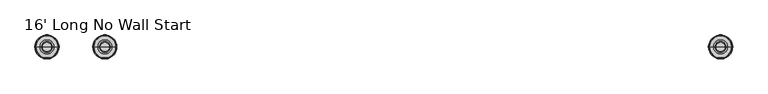
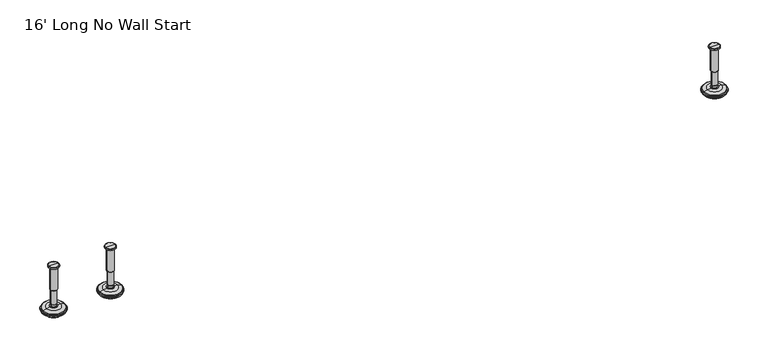
"""IFC4 building model written with IfcOpenShell, lengths in millimetres: furniture geometry, 16' Long No Wall Start."""

from ifc_helpers import new_model, si_unit, frame, origin, place, context, project, spatial, polyline, circle_curve, source, transform, mapped, element, save
from ifc_brep_helpers import plane_surface, cylinder_surface, revolved_surface, advanced_brep


def furniture_16_long_no_wall_start_88624ca3(model_context):
    return source(origin(), model_context, "Body", "AdvancedBrep", [
        advanced_brep(
        [(1161.8635677, 0.0, 101.6), (1170.8414891, 0.0, 101.6), (1152.8856463, 0.0, 101.6), (1147.7593278, 0.0, 0.0206943), (1175.9678076, 0.0, 0.0206943), (1161.8635677, 0.0, 0.0206943), (1142.881296, 0.0, 1.4194474), (1180.8458394, 0.0, 1.4194474), (1139.119381, 0.0, 4.7394056), (1184.6077544, 0.0, 4.7394056), (1138.0019314, 0.0, 7.5051905), (1185.725204, 0.0, 7.5051905), (1138.0019314, 0.0, 8.3065967), (1185.725204, 0.0, 8.3065967), (1138.8443346, 0.0, 9.8469348), (1184.8828008, 0.0, 9.8469348), (1139.9444772, 0.0, 10.8375077), (1183.7826582, 0.0, 10.8375077), (1147.2481724, 0.0, 12.7338946), (1176.478963, 0.0, 12.7338946), (1154.6663238, 0.0, 13.3828987), (1169.0608116, 0.0, 13.3828987), (1154.6663238, 0.0, 14.1772758), (1169.0608116, 0.0, 14.1772758), (1157.0631166, 0.0, 14.1772758), (1166.6640188, 0.0, 14.1772758), (1157.0631166, 0.0, 18.8098403), (1166.6640188, 0.0, 18.8098403), (1156.047264, 0.0, 19.8256929), (1167.6798714, 0.0, 19.8256929), (1156.047264, 0.0, 48.3056352), (1167.6798714, 0.0, 48.3056352), (1154.8237361, 0.0, 49.9293116), (1168.9033993, 0.0, 49.9293116), (1154.8237361, 0.0, 97.327223), (1168.9033993, 0.0, 97.327223), (1153.9426317, 0.0, 97.6479188), (1169.7845037, 0.0, 97.6479188), (1152.8936428, 0.0, 97.6479188), (1170.8334926, 0.0, 97.6479188), (1151.2286129, 0.0, 98.6092242), (1172.4985225, 0.0, 98.6092242), (1151.2286129, 0.0, 100.6043539), (1172.4985225, 0.0, 100.6043539)],
        [
            (0, 1),
            (1, 2, circle_curve(frame((1161.8635677, 0.0, 101.6), z_axis=(0.0, 0.0, 1.0), x_axis=(1.0, 0.0, 0.0)), 8.9779214)),
            (2, 0),
            (2, 1, circle_curve(frame((1161.8635677, 0.0, 101.6), z_axis=(0.0, 0.0, 1.0), x_axis=(1.0, 0.0, 0.0)), 8.9779214)),
            (3, 4, circle_curve(frame((1161.8635677, 0.0, 0.0206943), z_axis=(0.0, 0.0, -1.0), x_axis=(1.0, 0.0, 0.0)), 14.1042399)),
            (4, 5),
            (5, 3),
            (4, 3, circle_curve(frame((1161.8635677, 0.0, 0.0206943), z_axis=(0.0, 0.0, -1.0), x_axis=(1.0, 0.0, 0.0)), 14.1042399)),
            (6, 7, circle_curve(frame((1161.8635677, 0.0, 1.4194474), z_axis=(0.0, 0.0, -1.0), x_axis=(1.0, 0.0, 0.0)), 18.9822717)),
            (7, 4),
            (3, 6),
            (7, 6, circle_curve(frame((1161.8635677, 0.0, 1.4194474), z_axis=(0.0, 0.0, -1.0), x_axis=(1.0, 0.0, 0.0)), 18.9822717)),
            (8, 9, circle_curve(frame((1161.8635677, 0.0, 4.7394056), z_axis=(0.0, 0.0, -1.0), x_axis=(1.0, 0.0, 0.0)), 22.7441867)),
            (9, 7),
            (6, 8),
            (9, 8, circle_curve(frame((1161.8635677, 0.0, 4.7394056), z_axis=(0.0, 0.0, -1.0), x_axis=(1.0, 0.0, 0.0)), 22.7441867)),
            (10, 11, circle_curve(frame((1161.8635677, 0.0, 7.5051905), z_axis=(0.0, 0.0, -1.0), x_axis=(1.0, 0.0, 0.0)), 23.8616363)),
            (11, 9),
            (8, 10),
            (11, 10, circle_curve(frame((1161.8635677, 0.0, 7.5051905), z_axis=(0.0, 0.0, -1.0), x_axis=(1.0, 0.0, 0.0)), 23.8616363)),
            (12, 13, circle_curve(frame((1161.8635677, 0.0, 8.3065967), z_axis=(0.0, 0.0, -1.0), x_axis=(1.0, 0.0, 0.0)), 23.8616363)),
            (13, 11),
            (10, 12),
            (13, 12, circle_curve(frame((1161.8635677, 0.0, 8.3065967), z_axis=(0.0, 0.0, -1.0), x_axis=(1.0, 0.0, 0.0)), 23.8616363)),
            (14, 15, circle_curve(frame((1161.8635677, 0.0, 9.8469348), z_axis=(0.0, 0.0, -1.0), x_axis=(1.0, 0.0, 0.0)), 23.0192331)),
            (15, 13),
            (12, 14),
            (15, 14, circle_curve(frame((1161.8635677, 0.0, 9.8469348), z_axis=(0.0, 0.0, -1.0), x_axis=(1.0, 0.0, 0.0)), 23.0192331)),
            (16, 17, circle_curve(frame((1161.8635677, 0.0, 10.8375077), z_axis=(0.0, 0.0, -1.0), x_axis=(1.0, 0.0, 0.0)), 21.9190905)),
            (17, 15),
            (14, 16),
            (17, 16, circle_curve(frame((1161.8635677, 0.0, 10.8375077), z_axis=(0.0, 0.0, -1.0), x_axis=(1.0, 0.0, 0.0)), 21.9190905)),
            (18, 19, circle_curve(frame((1161.8635677, 0.0, 12.7338946), z_axis=(0.0, 0.0, -1.0), x_axis=(1.0, 0.0, 0.0)), 14.6153953)),
            (19, 17),
            (16, 18),
            (19, 18, circle_curve(frame((1161.8635677, 0.0, 12.7338946), z_axis=(0.0, 0.0, -1.0), x_axis=(1.0, 0.0, 0.0)), 14.6153953)),
            (20, 21, circle_curve(frame((1161.8635677, 0.0, 13.3828987), z_axis=(0.0, 0.0, -1.0), x_axis=(1.0, 0.0, 0.0)), 7.1972439)),
            (21, 19),
            (18, 20),
            (21, 20, circle_curve(frame((1161.8635677, 0.0, 13.3828987), z_axis=(0.0, 0.0, -1.0), x_axis=(1.0, 0.0, 0.0)), 7.1972439)),
            (22, 23, circle_curve(frame((1161.8635677, 0.0, 14.1772758), z_axis=(0.0, 0.0, -1.0), x_axis=(1.0, 0.0, 0.0)), 7.1972439)),
            (23, 21),
            (20, 22),
            (23, 22, circle_curve(frame((1161.8635677, 0.0, 14.1772758), z_axis=(0.0, 0.0, -1.0), x_axis=(1.0, 0.0, 0.0)), 7.1972439)),
            (24, 25, circle_curve(frame((1161.8635677, 0.0, 14.1772758), z_axis=(0.0, 0.0, -1.0), x_axis=(1.0, 0.0, 0.0)), 4.8004511)),
            (25, 23),
            (22, 24),
            (25, 24, circle_curve(frame((1161.8635677, 0.0, 14.1772758), z_axis=(0.0, 0.0, -1.0), x_axis=(1.0, 0.0, 0.0)), 4.8004511)),
            (26, 27, circle_curve(frame((1161.8635677, 0.0, 18.8098403), z_axis=(0.0, 0.0, -1.0), x_axis=(1.0, 0.0, 0.0)), 4.8004511)),
            (27, 25),
            (24, 26),
            (27, 26, circle_curve(frame((1161.8635677, 0.0, 18.8098403), z_axis=(0.0, 0.0, -1.0), x_axis=(1.0, 0.0, 0.0)), 4.8004511)),
            (28, 29, circle_curve(frame((1161.8635677, 0.0, 19.8256929), z_axis=(0.0, 0.0, -1.0), x_axis=(1.0, 0.0, 0.0)), 5.8163037)),
            (29, 27),
            (26, 28),
            (29, 28, circle_curve(frame((1161.8635677, 0.0, 19.8256929), z_axis=(0.0, 0.0, -1.0), x_axis=(1.0, 0.0, 0.0)), 5.8163037)),
            (30, 31, circle_curve(frame((1161.8635677, 0.0, 48.3056352), z_axis=(0.0, 0.0, -1.0), x_axis=(1.0, 0.0, 0.0)), 5.8163037)),
            (31, 29),
            (28, 30),
            (31, 30, circle_curve(frame((1161.8635677, 0.0, 48.3056352), z_axis=(0.0, 0.0, -1.0), x_axis=(1.0, 0.0, 0.0)), 5.8163037)),
            (32, 33, circle_curve(frame((1161.8635677, 0.0, 49.9293116), z_axis=(0.0, 0.0, -1.0), x_axis=(1.0, 0.0, 0.0)), 7.0398316)),
            (33, 31),
            (30, 32),
            (33, 32, circle_curve(frame((1161.8635677, 0.0, 49.9293116), z_axis=(0.0, 0.0, -1.0), x_axis=(1.0, 0.0, 0.0)), 7.0398316)),
            (34, 35, circle_curve(frame((1161.8635677, 0.0, 97.327223), z_axis=(0.0, 0.0, -1.0), x_axis=(1.0, 0.0, 0.0)), 7.0398316)),
            (35, 33),
            (32, 34),
            (35, 34, circle_curve(frame((1161.8635677, 0.0, 97.327223), z_axis=(0.0, 0.0, -1.0), x_axis=(1.0, 0.0, 0.0)), 7.0398316)),
            (36, 37, circle_curve(frame((1161.8635677, 0.0, 97.6479188), z_axis=(0.0, 0.0, -1.0), x_axis=(1.0, 0.0, 0.0)), 7.920936)),
            (37, 35),
            (34, 36),
            (37, 36, circle_curve(frame((1161.8635677, 0.0, 97.6479188), z_axis=(0.0, 0.0, -1.0), x_axis=(1.0, 0.0, 0.0)), 7.920936)),
            (38, 39, circle_curve(frame((1161.8635677, 0.0, 97.6479188), z_axis=(0.0, 0.0, -1.0), x_axis=(1.0, 0.0, 0.0)), 8.9699249)),
            (39, 37),
            (36, 38),
            (39, 38, circle_curve(frame((1161.8635677, 0.0, 97.6479188), z_axis=(0.0, 0.0, -1.0), x_axis=(1.0, 0.0, 0.0)), 8.9699249)),
            (40, 41, circle_curve(frame((1161.8635677, 0.0, 98.6092242), z_axis=(0.0, 0.0, -1.0), x_axis=(1.0, 0.0, 0.0)), 10.6349548)),
            (41, 39),
            (38, 40),
            (41, 40, circle_curve(frame((1161.8635677, 0.0, 98.6092242), z_axis=(0.0, 0.0, -1.0), x_axis=(1.0, 0.0, 0.0)), 10.6349548)),
            (42, 43, circle_curve(frame((1161.8635677, 0.0, 100.6043539), z_axis=(0.0, 0.0, -1.0), x_axis=(1.0, 0.0, 0.0)), 10.6349548)),
            (43, 41),
            (40, 42),
            (43, 42, circle_curve(frame((1161.8635677, 0.0, 100.6043539), z_axis=(0.0, 0.0, -1.0), x_axis=(1.0, 0.0, 0.0)), 10.6349548)),
            (1, 43),
            (42, 2),
        ],
        [
            plane_surface(frame((1161.8635677, 0.0, 101.6), z_axis=(0.0, 0.0, 1.0), x_axis=(1.0, 0.0, 0.0))),
            plane_surface(frame((1161.8635677, 0.0, 0.0206943), z_axis=(0.0, 0.0, -1.0), x_axis=(1.0, 0.0, 0.0))),
            revolved_surface(polyline([(1175.9678076, 0.0, 0.0206943), (1180.8458394, 0.0, 1.4194474)]), (1161.8635677, 0.0, 101.6), (0.0, 0.0, 1.0)),
            revolved_surface(polyline([(1180.8458394, 0.0, 1.4194474), (1184.6077544, 0.0, 4.7394056)]), (1161.8635677, 0.0, 101.6), (0.0, 0.0, 1.0)),
            revolved_surface(polyline([(1184.6077544, 0.0, 4.7394056), (1185.725204, 0.0, 7.5051905)]), (1161.8635677, 0.0, 101.6), (0.0, 0.0, 1.0)),
            cylinder_surface(frame((1161.8635677, 0.0, 101.6), z_axis=(0.0, 0.0, 1.0), x_axis=(1.0, 0.0, 0.0)), 23.8616363),
            revolved_surface(polyline([(1185.725204, 0.0, 8.3065967), (1184.8828008, 0.0, 9.8469348)]), (1161.8635677, 0.0, 101.6), (0.0, 0.0, 1.0)),
            revolved_surface(polyline([(1184.8828008, 0.0, 9.8469348), (1183.7826582, 0.0, 10.8375077)]), (1161.8635677, 0.0, 101.6), (0.0, 0.0, 1.0)),
            revolved_surface(polyline([(1183.7826582, 0.0, 10.8375077), (1176.478963, 0.0, 12.7338946)]), (1161.8635677, 0.0, 101.6), (0.0, 0.0, 1.0)),
            revolved_surface(polyline([(1176.478963, 0.0, 12.7338946), (1169.0608116, 0.0, 13.3828987)]), (1161.8635677, 0.0, 101.6), (0.0, 0.0, 1.0)),
            cylinder_surface(frame((1161.8635677, 0.0, 101.6), z_axis=(0.0, 0.0, 1.0), x_axis=(1.0, 0.0, 0.0)), 7.1972439),
            plane_surface(frame((1161.8635677, 0.0, 14.1772758), z_axis=(0.0, 0.0, 1.0), x_axis=(1.0, 0.0, 0.0))),
            cylinder_surface(frame((1161.8635677, 0.0, 101.6), z_axis=(0.0, 0.0, 1.0), x_axis=(1.0, 0.0, 0.0)), 4.8004511),
            revolved_surface(polyline([(1166.6640188, 0.0, 18.8098403), (1167.6798714, 0.0, 19.8256929)]), (1161.8635677, 0.0, 101.6), (0.0, 0.0, 1.0)),
            cylinder_surface(frame((1161.8635677, 0.0, 101.6), z_axis=(0.0, 0.0, 1.0), x_axis=(1.0, 0.0, 0.0)), 5.8163037),
            revolved_surface(polyline([(1167.6798714, 0.0, 48.3056352), (1168.9033993, 0.0, 49.9293116)]), (1161.8635677, 0.0, 101.6), (0.0, 0.0, 1.0)),
            cylinder_surface(frame((1161.8635677, 0.0, 101.6), z_axis=(0.0, 0.0, 1.0), x_axis=(1.0, 0.0, 0.0)), 7.0398316),
            revolved_surface(polyline([(1168.9033993, 0.0, 97.327223), (1169.7845037, 0.0, 97.6479188)]), (1161.8635677, 0.0, 101.6), (0.0, 0.0, 1.0)),
            plane_surface(frame((1161.8635677, 0.0, 97.6479188), z_axis=(0.0, 0.0, -1.0), x_axis=(1.0, 0.0, 0.0))),
            revolved_surface(polyline([(1170.8334926, 0.0, 97.6479188), (1172.4985225, 0.0, 98.6092242)]), (1161.8635677, 0.0, 101.6), (0.0, 0.0, 1.0)),
            cylinder_surface(frame((1161.8635677, 0.0, 101.6), z_axis=(0.0, 0.0, 1.0), x_axis=(1.0, 0.0, 0.0)), 10.6349548),
            revolved_surface(polyline([(1172.4985225, 0.0, 100.6043539), (1170.8414891, 0.0, 101.6)]), (1161.8635677, 0.0, 101.6), (0.0, 0.0, 1.0)),
        ],
        [
            (0, [[1, 2, 3]]),
            (0, [[-3, 4, -1]]),
            (1, [[5, 6, 7]]),
            (1, [[8, -7, -6]]),
            (2, [[9, 10, -5, 11]]),
            (2, [[12, -11, -8, -10]]),
            (3, [[13, 14, -9, 15]]),
            (3, [[16, -15, -12, -14]]),
            (4, [[17, 18, -13, 19]]),
            (4, [[20, -19, -16, -18]]),
            (5, [[21, 22, -17, 23]]),
            (5, [[24, -23, -20, -22]]),
            (6, [[25, 26, -21, 27]]),
            (6, [[28, -27, -24, -26]]),
            (7, [[29, 30, -25, 31]]),
            (7, [[32, -31, -28, -30]]),
            (8, [[33, 34, -29, 35]]),
            (8, [[36, -35, -32, -34]]),
            (9, [[37, 38, -33, 39]]),
            (9, [[40, -39, -36, -38]]),
            (10, [[41, 42, -37, 43]]),
            (10, [[44, -43, -40, -42]]),
            (11, [[45, 46, -41, 47]]),
            (11, [[48, -47, -44, -46]]),
            (12, [[49, 50, -45, 51]]),
            (12, [[52, -51, -48, -50]]),
            (13, [[53, 54, -49, 55]]),
            (13, [[56, -55, -52, -54]]),
            (14, [[57, 58, -53, 59]]),
            (14, [[60, -59, -56, -58]]),
            (15, [[61, 62, -57, 63]]),
            (15, [[64, -63, -60, -62]]),
            (16, [[65, 66, -61, 67]]),
            (16, [[68, -67, -64, -66]]),
            (17, [[69, 70, -65, 71]]),
            (17, [[72, -71, -68, -70]]),
            (18, [[73, 74, -69, 75]]),
            (18, [[76, -75, -72, -74]]),
            (19, [[77, 78, -73, 79]]),
            (19, [[80, -79, -76, -78]]),
            (20, [[81, 82, -77, 83]]),
            (20, [[84, -83, -80, -82]]),
            (21, [[-2, 85, -81, 86]]),
            (21, [[-4, -86, -84, -85]]),
        ],
    ),
        advanced_brep(
        [(1276.5364323, 0.0, 101.6), (1285.5143537, 0.0, 101.6), (1267.5585109, 0.0, 101.6), (1290.6406722, 0.0, 0.0206943), (1276.5364323, 0.0, 0.0206943), (1262.4321924, 0.0, 0.0206943), (1295.518704, 0.0, 1.4194474), (1257.5541606, 0.0, 1.4194474), (1299.280619, 0.0, 4.7394056), (1253.7922456, 0.0, 4.7394056), (1300.3980686, 0.0, 7.5051905), (1252.674796, 0.0, 7.5051905), (1300.3980686, 0.0, 8.3065967), (1252.674796, 0.0, 8.3065967), (1299.5556654, 0.0, 9.8469348), (1253.5171992, 0.0, 9.8469348), (1298.4555228, 0.0, 10.8375077), (1254.6173418, 0.0, 10.8375077), (1291.1518276, 0.0, 12.7338946), (1261.921037, 0.0, 12.7338946), (1283.7336762, 0.0, 13.3828987), (1269.3391884, 0.0, 13.3828987), (1283.7336762, 0.0, 14.1772758), (1269.3391884, 0.0, 14.1772758), (1281.3368834, 0.0, 14.1772758), (1271.7359812, 0.0, 14.1772758), (1281.3368834, 0.0, 18.8098403), (1271.7359812, 0.0, 18.8098403), (1282.352736, 0.0, 19.8256929), (1270.7201286, 0.0, 19.8256929), (1282.352736, 0.0, 48.3056352), (1270.7201286, 0.0, 48.3056352), (1283.5762639, 0.0, 49.9293116), (1269.4966007, 0.0, 49.9293116), (1283.5762639, 0.0, 97.327223), (1269.4966007, 0.0, 97.327223), (1284.4573683, 0.0, 97.6479188), (1268.6154963, 0.0, 97.6479188), (1285.5063572, 0.0, 97.6479188), (1267.5665074, 0.0, 97.6479188), (1287.1713871, 0.0, 98.6092242), (1265.9014775, 0.0, 98.6092242), (1287.1713871, 0.0, 100.6043539), (1265.9014775, 0.0, 100.6043539)],
        [
            (0, 1),
            (1, 2, circle_curve(frame((1276.5364323, 0.0, 101.6), z_axis=(0.0, 0.0, 1.0), x_axis=(-1.0, 0.0, 0.0)), 8.9779214)),
            (2, 0),
            (2, 1, circle_curve(frame((1276.5364323, 0.0, 101.6), z_axis=(0.0, 0.0, 1.0), x_axis=(-1.0, 0.0, 0.0)), 8.9779214)),
            (3, 4),
            (4, 5),
            (5, 3, circle_curve(frame((1276.5364323, 0.0, 0.0206943), z_axis=(0.0, 0.0, -1.0), x_axis=(-1.0, 0.0, 0.0)), 14.1042399)),
            (3, 5, circle_curve(frame((1276.5364323, 0.0, 0.0206943), z_axis=(0.0, 0.0, -1.0), x_axis=(-1.0, 0.0, 0.0)), 14.1042399)),
            (6, 3),
            (5, 7),
            (7, 6, circle_curve(frame((1276.5364323, 0.0, 1.4194474), z_axis=(0.0, 0.0, -1.0), x_axis=(-1.0, 0.0, 0.0)), 18.9822717)),
            (6, 7, circle_curve(frame((1276.5364323, 0.0, 1.4194474), z_axis=(0.0, 0.0, -1.0), x_axis=(-1.0, 0.0, 0.0)), 18.9822717)),
            (8, 6),
            (7, 9),
            (9, 8, circle_curve(frame((1276.5364323, 0.0, 4.7394056), z_axis=(0.0, 0.0, -1.0), x_axis=(-1.0, 0.0, 0.0)), 22.7441867)),
            (8, 9, circle_curve(frame((1276.5364323, 0.0, 4.7394056), z_axis=(0.0, 0.0, -1.0), x_axis=(-1.0, 0.0, 0.0)), 22.7441867)),
            (10, 8),
            (9, 11),
            (11, 10, circle_curve(frame((1276.5364323, 0.0, 7.5051905), z_axis=(0.0, 0.0, -1.0), x_axis=(-1.0, 0.0, 0.0)), 23.8616363)),
            (10, 11, circle_curve(frame((1276.5364323, 0.0, 7.5051905), z_axis=(0.0, 0.0, -1.0), x_axis=(-1.0, 0.0, 0.0)), 23.8616363)),
            (12, 10),
            (11, 13),
            (13, 12, circle_curve(frame((1276.5364323, 0.0, 8.3065967), z_axis=(0.0, 0.0, -1.0), x_axis=(-1.0, 0.0, 0.0)), 23.8616363)),
            (12, 13, circle_curve(frame((1276.5364323, 0.0, 8.3065967), z_axis=(0.0, 0.0, -1.0), x_axis=(-1.0, 0.0, 0.0)), 23.8616363)),
            (14, 12),
            (13, 15),
            (15, 14, circle_curve(frame((1276.5364323, 0.0, 9.8469348), z_axis=(0.0, 0.0, -1.0), x_axis=(-1.0, 0.0, 0.0)), 23.0192331)),
            (14, 15, circle_curve(frame((1276.5364323, 0.0, 9.8469348), z_axis=(0.0, 0.0, -1.0), x_axis=(-1.0, 0.0, 0.0)), 23.0192331)),
            (16, 14),
            (15, 17),
            (17, 16, circle_curve(frame((1276.5364323, 0.0, 10.8375077), z_axis=(0.0, 0.0, -1.0), x_axis=(-1.0, 0.0, 0.0)), 21.9190905)),
            (16, 17, circle_curve(frame((1276.5364323, 0.0, 10.8375077), z_axis=(0.0, 0.0, -1.0), x_axis=(-1.0, 0.0, 0.0)), 21.9190905)),
            (18, 16),
            (17, 19),
            (19, 18, circle_curve(frame((1276.5364323, 0.0, 12.7338946), z_axis=(0.0, 0.0, -1.0), x_axis=(-1.0, 0.0, 0.0)), 14.6153953)),
            (18, 19, circle_curve(frame((1276.5364323, 0.0, 12.7338946), z_axis=(0.0, 0.0, -1.0), x_axis=(-1.0, 0.0, 0.0)), 14.6153953)),
            (20, 18),
            (19, 21),
            (21, 20, circle_curve(frame((1276.5364323, 0.0, 13.3828987), z_axis=(0.0, 0.0, -1.0), x_axis=(-1.0, 0.0, 0.0)), 7.1972439)),
            (20, 21, circle_curve(frame((1276.5364323, 0.0, 13.3828987), z_axis=(0.0, 0.0, -1.0), x_axis=(-1.0, 0.0, 0.0)), 7.1972439)),
            (22, 20),
            (21, 23),
            (23, 22, circle_curve(frame((1276.5364323, 0.0, 14.1772758), z_axis=(0.0, 0.0, -1.0), x_axis=(-1.0, 0.0, 0.0)), 7.1972439)),
            (22, 23, circle_curve(frame((1276.5364323, 0.0, 14.1772758), z_axis=(0.0, 0.0, -1.0), x_axis=(-1.0, 0.0, 0.0)), 7.1972439)),
            (24, 22),
            (23, 25),
            (25, 24, circle_curve(frame((1276.5364323, 0.0, 14.1772758), z_axis=(0.0, 0.0, -1.0), x_axis=(-1.0, 0.0, 0.0)), 4.8004511)),
            (24, 25, circle_curve(frame((1276.5364323, 0.0, 14.1772758), z_axis=(0.0, 0.0, -1.0), x_axis=(-1.0, 0.0, 0.0)), 4.8004511)),
            (26, 24),
            (25, 27),
            (27, 26, circle_curve(frame((1276.5364323, 0.0, 18.8098403), z_axis=(0.0, 0.0, -1.0), x_axis=(-1.0, 0.0, 0.0)), 4.8004511)),
            (26, 27, circle_curve(frame((1276.5364323, 0.0, 18.8098403), z_axis=(0.0, 0.0, -1.0), x_axis=(-1.0, 0.0, 0.0)), 4.8004511)),
            (28, 26),
            (27, 29),
            (29, 28, circle_curve(frame((1276.5364323, 0.0, 19.8256929), z_axis=(0.0, 0.0, -1.0), x_axis=(-1.0, 0.0, 0.0)), 5.8163037)),
            (28, 29, circle_curve(frame((1276.5364323, 0.0, 19.8256929), z_axis=(0.0, 0.0, -1.0), x_axis=(-1.0, 0.0, 0.0)), 5.8163037)),
            (30, 28),
            (29, 31),
            (31, 30, circle_curve(frame((1276.5364323, 0.0, 48.3056352), z_axis=(0.0, 0.0, -1.0), x_axis=(-1.0, 0.0, 0.0)), 5.8163037)),
            (30, 31, circle_curve(frame((1276.5364323, 0.0, 48.3056352), z_axis=(0.0, 0.0, -1.0), x_axis=(-1.0, 0.0, 0.0)), 5.8163037)),
            (32, 30),
            (31, 33),
            (33, 32, circle_curve(frame((1276.5364323, 0.0, 49.9293116), z_axis=(0.0, 0.0, -1.0), x_axis=(-1.0, 0.0, 0.0)), 7.0398316)),
            (32, 33, circle_curve(frame((1276.5364323, 0.0, 49.9293116), z_axis=(0.0, 0.0, -1.0), x_axis=(-1.0, 0.0, 0.0)), 7.0398316)),
            (34, 32),
            (33, 35),
            (35, 34, circle_curve(frame((1276.5364323, 0.0, 97.327223), z_axis=(0.0, 0.0, -1.0), x_axis=(-1.0, 0.0, 0.0)), 7.0398316)),
            (34, 35, circle_curve(frame((1276.5364323, 0.0, 97.327223), z_axis=(0.0, 0.0, -1.0), x_axis=(-1.0, 0.0, 0.0)), 7.0398316)),
            (36, 34),
            (35, 37),
            (37, 36, circle_curve(frame((1276.5364323, 0.0, 97.6479188), z_axis=(0.0, 0.0, -1.0), x_axis=(-1.0, 0.0, 0.0)), 7.920936)),
            (36, 37, circle_curve(frame((1276.5364323, 0.0, 97.6479188), z_axis=(0.0, 0.0, -1.0), x_axis=(-1.0, 0.0, 0.0)), 7.920936)),
            (38, 36),
            (37, 39),
            (39, 38, circle_curve(frame((1276.5364323, 0.0, 97.6479188), z_axis=(0.0, 0.0, -1.0), x_axis=(-1.0, 0.0, 0.0)), 8.9699249)),
            (38, 39, circle_curve(frame((1276.5364323, 0.0, 97.6479188), z_axis=(0.0, 0.0, -1.0), x_axis=(-1.0, 0.0, 0.0)), 8.9699249)),
            (40, 38),
            (39, 41),
            (41, 40, circle_curve(frame((1276.5364323, 0.0, 98.6092242), z_axis=(0.0, 0.0, -1.0), x_axis=(-1.0, 0.0, 0.0)), 10.6349548)),
            (40, 41, circle_curve(frame((1276.5364323, 0.0, 98.6092242), z_axis=(0.0, 0.0, -1.0), x_axis=(-1.0, 0.0, 0.0)), 10.6349548)),
            (42, 40),
            (41, 43),
            (43, 42, circle_curve(frame((1276.5364323, 0.0, 100.6043539), z_axis=(0.0, 0.0, -1.0), x_axis=(-1.0, 0.0, 0.0)), 10.6349548)),
            (42, 43, circle_curve(frame((1276.5364323, 0.0, 100.6043539), z_axis=(0.0, 0.0, -1.0), x_axis=(-1.0, 0.0, 0.0)), 10.6349548)),
            (1, 42),
            (43, 2),
        ],
        [
            plane_surface(frame((1276.5364323, 0.0, 101.6), z_axis=(0.0, 0.0, 1.0), x_axis=(-1.0, 0.0, 0.0))),
            plane_surface(frame((1276.5364323, 0.0, 0.0206943), z_axis=(0.0, 0.0, -1.0), x_axis=(-1.0, 0.0, 0.0))),
            revolved_surface(polyline([(1262.4321924, 0.0, 0.0206943), (1257.5541606, 0.0, 1.4194474)]), (1276.5364323, 0.0, 101.6), (0.0, 0.0, 1.0)),
            revolved_surface(polyline([(1257.5541606, 0.0, 1.4194474), (1253.7922456, 0.0, 4.7394056)]), (1276.5364323, 0.0, 101.6), (0.0, 0.0, 1.0)),
            revolved_surface(polyline([(1253.7922456, 0.0, 4.7394056), (1252.674796, 0.0, 7.5051905)]), (1276.5364323, 0.0, 101.6), (0.0, 0.0, 1.0)),
            cylinder_surface(frame((1276.5364323, 0.0, 101.6), z_axis=(0.0, 0.0, 1.0), x_axis=(-1.0, 0.0, 0.0)), 23.8616363),
            revolved_surface(polyline([(1252.674796, 0.0, 8.3065967), (1253.5171992, 0.0, 9.8469348)]), (1276.5364323, 0.0, 101.6), (0.0, 0.0, 1.0)),
            revolved_surface(polyline([(1253.5171992, 0.0, 9.8469348), (1254.6173418, 0.0, 10.8375077)]), (1276.5364323, 0.0, 101.6), (0.0, 0.0, 1.0)),
            revolved_surface(polyline([(1254.6173418, 0.0, 10.8375077), (1261.921037, 0.0, 12.7338946)]), (1276.5364323, 0.0, 101.6), (0.0, 0.0, 1.0)),
            revolved_surface(polyline([(1261.921037, 0.0, 12.7338946), (1269.3391884, 0.0, 13.3828987)]), (1276.5364323, 0.0, 101.6), (0.0, 0.0, 1.0)),
            cylinder_surface(frame((1276.5364323, 0.0, 101.6), z_axis=(0.0, 0.0, 1.0), x_axis=(-1.0, 0.0, 0.0)), 7.1972439),
            plane_surface(frame((1276.5364323, 0.0, 14.1772758), z_axis=(0.0, 0.0, 1.0), x_axis=(-1.0, 0.0, 0.0))),
            cylinder_surface(frame((1276.5364323, 0.0, 101.6), z_axis=(0.0, 0.0, 1.0), x_axis=(-1.0, 0.0, 0.0)), 4.8004511),
            revolved_surface(polyline([(1271.7359812, 0.0, 18.8098403), (1270.7201286, 0.0, 19.8256929)]), (1276.5364323, 0.0, 101.6), (0.0, 0.0, 1.0)),
            cylinder_surface(frame((1276.5364323, 0.0, 101.6), z_axis=(0.0, 0.0, 1.0), x_axis=(-1.0, 0.0, 0.0)), 5.8163037),
            revolved_surface(polyline([(1270.7201286, 0.0, 48.3056352), (1269.4966007, 0.0, 49.9293116)]), (1276.5364323, 0.0, 101.6), (0.0, 0.0, 1.0)),
            cylinder_surface(frame((1276.5364323, 0.0, 101.6), z_axis=(0.0, 0.0, 1.0), x_axis=(-1.0, 0.0, 0.0)), 7.0398316),
            revolved_surface(polyline([(1269.4966007, 0.0, 97.327223), (1268.6154963, 0.0, 97.6479188)]), (1276.5364323, 0.0, 101.6), (0.0, 0.0, 1.0)),
            plane_surface(frame((1276.5364323, 0.0, 97.6479188), z_axis=(0.0, 0.0, -1.0), x_axis=(-1.0, 0.0, 0.0))),
            revolved_surface(polyline([(1267.5665074, 0.0, 97.6479188), (1265.9014775, 0.0, 98.6092242)]), (1276.5364323, 0.0, 101.6), (0.0, 0.0, 1.0)),
            cylinder_surface(frame((1276.5364323, 0.0, 101.6), z_axis=(0.0, 0.0, 1.0), x_axis=(-1.0, 0.0, 0.0)), 10.6349548),
            revolved_surface(polyline([(1265.9014775, 0.0, 100.6043539), (1267.5585109, 0.0, 101.6)]), (1276.5364323, 0.0, 101.6), (0.0, 0.0, 1.0)),
        ],
        [
            (0, [[1, 2, 3]]),
            (0, [[-3, 4, -1]]),
            (1, [[5, 6, 7]]),
            (1, [[-6, -5, 8]]),
            (2, [[9, -7, 10, 11]]),
            (2, [[-10, -8, -9, 12]]),
            (3, [[13, -11, 14, 15]]),
            (3, [[-14, -12, -13, 16]]),
            (4, [[17, -15, 18, 19]]),
            (4, [[-18, -16, -17, 20]]),
            (5, [[21, -19, 22, 23]]),
            (5, [[-22, -20, -21, 24]]),
            (6, [[25, -23, 26, 27]]),
            (6, [[-26, -24, -25, 28]]),
            (7, [[29, -27, 30, 31]]),
            (7, [[-30, -28, -29, 32]]),
            (8, [[33, -31, 34, 35]]),
            (8, [[-34, -32, -33, 36]]),
            (9, [[37, -35, 38, 39]]),
            (9, [[-38, -36, -37, 40]]),
            (10, [[41, -39, 42, 43]]),
            (10, [[-42, -40, -41, 44]]),
            (11, [[45, -43, 46, 47]]),
            (11, [[-46, -44, -45, 48]]),
            (12, [[49, -47, 50, 51]]),
            (12, [[-50, -48, -49, 52]]),
            (13, [[53, -51, 54, 55]]),
            (13, [[-54, -52, -53, 56]]),
            (14, [[57, -55, 58, 59]]),
            (14, [[-58, -56, -57, 60]]),
            (15, [[61, -59, 62, 63]]),
            (15, [[-62, -60, -61, 64]]),
            (16, [[65, -63, 66, 67]]),
            (16, [[-66, -64, -65, 68]]),
            (17, [[69, -67, 70, 71]]),
            (17, [[-70, -68, -69, 72]]),
            (18, [[73, -71, 74, 75]]),
            (18, [[-74, -72, -73, 76]]),
            (19, [[77, -75, 78, 79]]),
            (19, [[-78, -76, -77, 80]]),
            (20, [[81, -79, 82, 83]]),
            (20, [[-82, -80, -81, 84]]),
            (21, [[85, -83, 86, -2]]),
            (21, [[-86, -84, -85, -4]]),
        ],
    ),
        advanced_brep(
        [(2495.7364323, 0.0, 101.6), (2504.7143537, 0.0, 101.6), (2486.7585109, 0.0, 101.6), (2509.8406722, 0.0, 0.0206943), (2495.7364323, 0.0, 0.0206943), (2481.6321924, 0.0, 0.0206943), (2514.718704, 0.0, 1.4194474), (2476.7541606, 0.0, 1.4194474), (2518.480619, 0.0, 4.7394056), (2472.9922456, 0.0, 4.7394056), (2519.5980686, 0.0, 7.5051905), (2471.874796, 0.0, 7.5051905), (2519.5980686, 0.0, 8.3065967), (2471.874796, 0.0, 8.3065967), (2518.7556654, 0.0, 9.8469348), (2472.7171992, 0.0, 9.8469348), (2517.6555228, 0.0, 10.8375077), (2473.8173418, 0.0, 10.8375077), (2510.3518276, 0.0, 12.7338946), (2481.121037, 0.0, 12.7338946), (2502.9336762, 0.0, 13.3828987), (2488.5391884, 0.0, 13.3828987), (2502.9336762, 0.0, 14.1772758), (2488.5391884, 0.0, 14.1772758), (2500.5368834, 0.0, 14.1772758), (2490.9359812, 0.0, 14.1772758), (2500.5368834, 0.0, 18.8098403), (2490.9359812, 0.0, 18.8098403), (2501.552736, 0.0, 19.8256929), (2489.9201286, 0.0, 19.8256929), (2501.552736, 0.0, 48.3056352), (2489.9201286, 0.0, 48.3056352), (2502.7762639, 0.0, 49.9293116), (2488.6966007, 0.0, 49.9293116), (2502.7762639, 0.0, 97.327223), (2488.6966007, 0.0, 97.327223), (2503.6573683, 0.0, 97.6479188), (2487.8154963, 0.0, 97.6479188), (2504.7063572, 0.0, 97.6479188), (2486.7665074, 0.0, 97.6479188), (2506.3713871, 0.0, 98.6092242), (2485.1014775, 0.0, 98.6092242), (2506.3713871, 0.0, 100.6043539), (2485.1014775, 0.0, 100.6043539)],
        [
            (0, 1),
            (1, 2, circle_curve(frame((2495.7364323, 0.0, 101.6), z_axis=(0.0, 0.0, 1.0), x_axis=(-1.0, 0.0, 0.0)), 8.9779214)),
            (2, 0),
            (2, 1, circle_curve(frame((2495.7364323, 0.0, 101.6), z_axis=(0.0, 0.0, 1.0), x_axis=(-1.0, 0.0, 0.0)), 8.9779214)),
            (3, 4),
            (4, 5),
            (5, 3, circle_curve(frame((2495.7364323, 0.0, 0.0206943), z_axis=(0.0, 0.0, -1.0), x_axis=(-1.0, 0.0, 0.0)), 14.1042399)),
            (3, 5, circle_curve(frame((2495.7364323, 0.0, 0.0206943), z_axis=(0.0, 0.0, -1.0), x_axis=(-1.0, 0.0, 0.0)), 14.1042399)),
            (6, 3),
            (5, 7),
            (7, 6, circle_curve(frame((2495.7364323, 0.0, 1.4194474), z_axis=(0.0, 0.0, -1.0), x_axis=(-1.0, 0.0, 0.0)), 18.9822717)),
            (6, 7, circle_curve(frame((2495.7364323, 0.0, 1.4194474), z_axis=(0.0, 0.0, -1.0), x_axis=(-1.0, 0.0, 0.0)), 18.9822717)),
            (8, 6),
            (7, 9),
            (9, 8, circle_curve(frame((2495.7364323, 0.0, 4.7394056), z_axis=(0.0, 0.0, -1.0), x_axis=(-1.0, 0.0, 0.0)), 22.7441867)),
            (8, 9, circle_curve(frame((2495.7364323, 0.0, 4.7394056), z_axis=(0.0, 0.0, -1.0), x_axis=(-1.0, 0.0, 0.0)), 22.7441867)),
            (10, 8),
            (9, 11),
            (11, 10, circle_curve(frame((2495.7364323, 0.0, 7.5051905), z_axis=(0.0, 0.0, -1.0), x_axis=(-1.0, 0.0, 0.0)), 23.8616363)),
            (10, 11, circle_curve(frame((2495.7364323, 0.0, 7.5051905), z_axis=(0.0, 0.0, -1.0), x_axis=(-1.0, 0.0, 0.0)), 23.8616363)),
            (12, 10),
            (11, 13),
            (13, 12, circle_curve(frame((2495.7364323, 0.0, 8.3065967), z_axis=(0.0, 0.0, -1.0), x_axis=(-1.0, 0.0, 0.0)), 23.8616363)),
            (12, 13, circle_curve(frame((2495.7364323, 0.0, 8.3065967), z_axis=(0.0, 0.0, -1.0), x_axis=(-1.0, 0.0, 0.0)), 23.8616363)),
            (14, 12),
            (13, 15),
            (15, 14, circle_curve(frame((2495.7364323, 0.0, 9.8469348), z_axis=(0.0, 0.0, -1.0), x_axis=(-1.0, 0.0, 0.0)), 23.0192331)),
            (14, 15, circle_curve(frame((2495.7364323, 0.0, 9.8469348), z_axis=(0.0, 0.0, -1.0), x_axis=(-1.0, 0.0, 0.0)), 23.0192331)),
            (16, 14),
            (15, 17),
            (17, 16, circle_curve(frame((2495.7364323, 0.0, 10.8375077), z_axis=(0.0, 0.0, -1.0), x_axis=(-1.0, 0.0, 0.0)), 21.9190905)),
            (16, 17, circle_curve(frame((2495.7364323, 0.0, 10.8375077), z_axis=(0.0, 0.0, -1.0), x_axis=(-1.0, 0.0, 0.0)), 21.9190905)),
            (18, 16),
            (17, 19),
            (19, 18, circle_curve(frame((2495.7364323, 0.0, 12.7338946), z_axis=(0.0, 0.0, -1.0), x_axis=(-1.0, 0.0, 0.0)), 14.6153953)),
            (18, 19, circle_curve(frame((2495.7364323, 0.0, 12.7338946), z_axis=(0.0, 0.0, -1.0), x_axis=(-1.0, 0.0, 0.0)), 14.6153953)),
            (20, 18),
            (19, 21),
            (21, 20, circle_curve(frame((2495.7364323, 0.0, 13.3828987), z_axis=(0.0, 0.0, -1.0), x_axis=(-1.0, 0.0, 0.0)), 7.1972439)),
            (20, 21, circle_curve(frame((2495.7364323, 0.0, 13.3828987), z_axis=(0.0, 0.0, -1.0), x_axis=(-1.0, 0.0, 0.0)), 7.1972439)),
            (22, 20),
            (21, 23),
            (23, 22, circle_curve(frame((2495.7364323, 0.0, 14.1772758), z_axis=(0.0, 0.0, -1.0), x_axis=(-1.0, 0.0, 0.0)), 7.1972439)),
            (22, 23, circle_curve(frame((2495.7364323, 0.0, 14.1772758), z_axis=(0.0, 0.0, -1.0), x_axis=(-1.0, 0.0, 0.0)), 7.1972439)),
            (24, 22),
            (23, 25),
            (25, 24, circle_curve(frame((2495.7364323, 0.0, 14.1772758), z_axis=(0.0, 0.0, -1.0), x_axis=(-1.0, 0.0, 0.0)), 4.8004511)),
            (24, 25, circle_curve(frame((2495.7364323, 0.0, 14.1772758), z_axis=(0.0, 0.0, -1.0), x_axis=(-1.0, 0.0, 0.0)), 4.8004511)),
            (26, 24),
            (25, 27),
            (27, 26, circle_curve(frame((2495.7364323, 0.0, 18.8098403), z_axis=(0.0, 0.0, -1.0), x_axis=(-1.0, 0.0, 0.0)), 4.8004511)),
            (26, 27, circle_curve(frame((2495.7364323, 0.0, 18.8098403), z_axis=(0.0, 0.0, -1.0), x_axis=(-1.0, 0.0, 0.0)), 4.8004511)),
            (28, 26),
            (27, 29),
            (29, 28, circle_curve(frame((2495.7364323, 0.0, 19.8256929), z_axis=(0.0, 0.0, -1.0), x_axis=(-1.0, 0.0, 0.0)), 5.8163037)),
            (28, 29, circle_curve(frame((2495.7364323, 0.0, 19.8256929), z_axis=(0.0, 0.0, -1.0), x_axis=(-1.0, 0.0, 0.0)), 5.8163037)),
            (30, 28),
            (29, 31),
            (31, 30, circle_curve(frame((2495.7364323, 0.0, 48.3056352), z_axis=(0.0, 0.0, -1.0), x_axis=(-1.0, 0.0, 0.0)), 5.8163037)),
            (30, 31, circle_curve(frame((2495.7364323, 0.0, 48.3056352), z_axis=(0.0, 0.0, -1.0), x_axis=(-1.0, 0.0, 0.0)), 5.8163037)),
            (32, 30),
            (31, 33),
            (33, 32, circle_curve(frame((2495.7364323, 0.0, 49.9293116), z_axis=(0.0, 0.0, -1.0), x_axis=(-1.0, 0.0, 0.0)), 7.0398316)),
            (32, 33, circle_curve(frame((2495.7364323, 0.0, 49.9293116), z_axis=(0.0, 0.0, -1.0), x_axis=(-1.0, 0.0, 0.0)), 7.0398316)),
            (34, 32),
            (33, 35),
            (35, 34, circle_curve(frame((2495.7364323, 0.0, 97.327223), z_axis=(0.0, 0.0, -1.0), x_axis=(-1.0, 0.0, 0.0)), 7.0398316)),
            (34, 35, circle_curve(frame((2495.7364323, 0.0, 97.327223), z_axis=(0.0, 0.0, -1.0), x_axis=(-1.0, 0.0, 0.0)), 7.0398316)),
            (36, 34),
            (35, 37),
            (37, 36, circle_curve(frame((2495.7364323, 0.0, 97.6479188), z_axis=(0.0, 0.0, -1.0), x_axis=(-1.0, 0.0, 0.0)), 7.920936)),
            (36, 37, circle_curve(frame((2495.7364323, 0.0, 97.6479188), z_axis=(0.0, 0.0, -1.0), x_axis=(-1.0, 0.0, 0.0)), 7.920936)),
            (38, 36),
            (37, 39),
            (39, 38, circle_curve(frame((2495.7364323, 0.0, 97.6479188), z_axis=(0.0, 0.0, -1.0), x_axis=(-1.0, 0.0, 0.0)), 8.9699249)),
            (38, 39, circle_curve(frame((2495.7364323, 0.0, 97.6479188), z_axis=(0.0, 0.0, -1.0), x_axis=(-1.0, 0.0, 0.0)), 8.9699249)),
            (40, 38),
            (39, 41),
            (41, 40, circle_curve(frame((2495.7364323, 0.0, 98.6092242), z_axis=(0.0, 0.0, -1.0), x_axis=(-1.0, 0.0, 0.0)), 10.6349548)),
            (40, 41, circle_curve(frame((2495.7364323, 0.0, 98.6092242), z_axis=(0.0, 0.0, -1.0), x_axis=(-1.0, 0.0, 0.0)), 10.6349548)),
            (42, 40),
            (41, 43),
            (43, 42, circle_curve(frame((2495.7364323, 0.0, 100.6043539), z_axis=(0.0, 0.0, -1.0), x_axis=(-1.0, 0.0, 0.0)), 10.6349548)),
            (42, 43, circle_curve(frame((2495.7364323, 0.0, 100.6043539), z_axis=(0.0, 0.0, -1.0), x_axis=(-1.0, 0.0, 0.0)), 10.6349548)),
            (1, 42),
            (43, 2),
        ],
        [
            plane_surface(frame((2495.7364323, 0.0, 101.6), z_axis=(0.0, 0.0, 1.0), x_axis=(-1.0, 0.0, 0.0))),
            plane_surface(frame((2495.7364323, 0.0, 0.0206943), z_axis=(0.0, 0.0, -1.0), x_axis=(-1.0, 0.0, 0.0))),
            revolved_surface(polyline([(2481.6321924, 0.0, 0.0206943), (2476.7541606, 0.0, 1.4194474)]), (2495.7364323, 0.0, 101.6), (0.0, 0.0, 1.0)),
            revolved_surface(polyline([(2476.7541606, 0.0, 1.4194474), (2472.9922456, 0.0, 4.7394056)]), (2495.7364323, 0.0, 101.6), (0.0, 0.0, 1.0)),
            revolved_surface(polyline([(2472.9922456, 0.0, 4.7394056), (2471.874796, 0.0, 7.5051905)]), (2495.7364323, 0.0, 101.6), (0.0, 0.0, 1.0)),
            cylinder_surface(frame((2495.7364323, 0.0, 101.6), z_axis=(0.0, 0.0, 1.0), x_axis=(-1.0, 0.0, 0.0)), 23.8616363),
            revolved_surface(polyline([(2471.874796, 0.0, 8.3065967), (2472.7171992, 0.0, 9.8469348)]), (2495.7364323, 0.0, 101.6), (0.0, 0.0, 1.0)),
            revolved_surface(polyline([(2472.7171992, 0.0, 9.8469348), (2473.8173418, 0.0, 10.8375077)]), (2495.7364323, 0.0, 101.6), (0.0, 0.0, 1.0)),
            revolved_surface(polyline([(2473.8173418, 0.0, 10.8375077), (2481.121037, 0.0, 12.7338946)]), (2495.7364323, 0.0, 101.6), (0.0, 0.0, 1.0)),
            revolved_surface(polyline([(2481.121037, 0.0, 12.7338946), (2488.5391884, 0.0, 13.3828987)]), (2495.7364323, 0.0, 101.6), (0.0, 0.0, 1.0)),
            cylinder_surface(frame((2495.7364323, 0.0, 101.6), z_axis=(0.0, 0.0, 1.0), x_axis=(-1.0, 0.0, 0.0)), 7.1972439),
            plane_surface(frame((2495.7364323, 0.0, 14.1772758), z_axis=(0.0, 0.0, 1.0), x_axis=(-1.0, 0.0, 0.0))),
            cylinder_surface(frame((2495.7364323, 0.0, 101.6), z_axis=(0.0, 0.0, 1.0), x_axis=(-1.0, 0.0, 0.0)), 4.8004511),
            revolved_surface(polyline([(2490.9359812, 0.0, 18.8098403), (2489.9201286, 0.0, 19.8256929)]), (2495.7364323, 0.0, 101.6), (0.0, 0.0, 1.0)),
            cylinder_surface(frame((2495.7364323, 0.0, 101.6), z_axis=(0.0, 0.0, 1.0), x_axis=(-1.0, 0.0, 0.0)), 5.8163037),
            revolved_surface(polyline([(2489.9201286, 0.0, 48.3056352), (2488.6966007, 0.0, 49.9293116)]), (2495.7364323, 0.0, 101.6), (0.0, 0.0, 1.0)),
            cylinder_surface(frame((2495.7364323, 0.0, 101.6), z_axis=(0.0, 0.0, 1.0), x_axis=(-1.0, 0.0, 0.0)), 7.0398316),
            revolved_surface(polyline([(2488.6966007, 0.0, 97.327223), (2487.8154963, 0.0, 97.6479188)]), (2495.7364323, 0.0, 101.6), (0.0, 0.0, 1.0)),
            plane_surface(frame((2495.7364323, 0.0, 97.6479188), z_axis=(0.0, 0.0, -1.0), x_axis=(-1.0, 0.0, 0.0))),
            revolved_surface(polyline([(2486.7665074, 0.0, 97.6479188), (2485.1014775, 0.0, 98.6092242)]), (2495.7364323, 0.0, 101.6), (0.0, 0.0, 1.0)),
            cylinder_surface(frame((2495.7364323, 0.0, 101.6), z_axis=(0.0, 0.0, 1.0), x_axis=(-1.0, 0.0, 0.0)), 10.6349548),
            revolved_surface(polyline([(2485.1014775, 0.0, 100.6043539), (2486.7585109, 0.0, 101.6)]), (2495.7364323, 0.0, 101.6), (0.0, 0.0, 1.0)),
        ],
        [
            (0, [[1, 2, 3]]),
            (0, [[-3, 4, -1]]),
            (1, [[5, 6, 7]]),
            (1, [[-6, -5, 8]]),
            (2, [[9, -7, 10, 11]]),
            (2, [[-10, -8, -9, 12]]),
            (3, [[13, -11, 14, 15]]),
            (3, [[-14, -12, -13, 16]]),
            (4, [[17, -15, 18, 19]]),
            (4, [[-18, -16, -17, 20]]),
            (5, [[21, -19, 22, 23]]),
            (5, [[-22, -20, -21, 24]]),
            (6, [[25, -23, 26, 27]]),
            (6, [[-26, -24, -25, 28]]),
            (7, [[29, -27, 30, 31]]),
            (7, [[-30, -28, -29, 32]]),
            (8, [[33, -31, 34, 35]]),
            (8, [[-34, -32, -33, 36]]),
            (9, [[37, -35, 38, 39]]),
            (9, [[-38, -36, -37, 40]]),
            (10, [[41, -39, 42, 43]]),
            (10, [[-42, -40, -41, 44]]),
            (11, [[45, -43, 46, 47]]),
            (11, [[-46, -44, -45, 48]]),
            (12, [[49, -47, 50, 51]]),
            (12, [[-50, -48, -49, 52]]),
            (13, [[53, -51, 54, 55]]),
            (13, [[-54, -52, -53, 56]]),
            (14, [[57, -55, 58, 59]]),
            (14, [[-58, -56, -57, 60]]),
            (15, [[61, -59, 62, 63]]),
            (15, [[-62, -60, -61, 64]]),
            (16, [[65, -63, 66, 67]]),
            (16, [[-66, -64, -65, 68]]),
            (17, [[69, -67, 70, 71]]),
            (17, [[-70, -68, -69, 72]]),
            (18, [[73, -71, 74, 75]]),
            (18, [[-74, -72, -73, 76]]),
            (19, [[77, -75, 78, 79]]),
            (19, [[-78, -76, -77, 80]]),
            (20, [[81, -79, 82, 83]]),
            (20, [[-82, -80, -81, 84]]),
            (21, [[85, -83, 86, -2]]),
            (21, [[-86, -84, -85, -4]]),
        ],
    ),
    ])


if __name__ == "__main__":
    model = new_model("IFC4")
    model_context = context("Model", 3, world=origin())
    ifc_project = project(units=[si_unit("LENGTHUNIT", "METRE", prefix="MILLI")], contexts=[model_context])
    site = spatial("IfcSite", under=ifc_project)
    building = spatial("IfcBuilding", under=site)
    placement = place(None, origin())
    furniture_16_long_no_wall_start_shape = furniture_16_long_no_wall_start_88624ca3(model_context)
    element("IfcFurniture", 1, ObjectType="16' Long No Wall Start", at=placement, inside=building, context=model_context, shape_type="MappedRepresentation", body=[
        mapped(furniture_16_long_no_wall_start_shape, transform((0.0, 0.0, 0.0), x_axis=(1.0, 0.0, 0.0), y_axis=(0.0, 1.0, 0.0), z_axis=(0.0, 0.0, 1.0))),
    ])
    save(model, "model.ifc")
